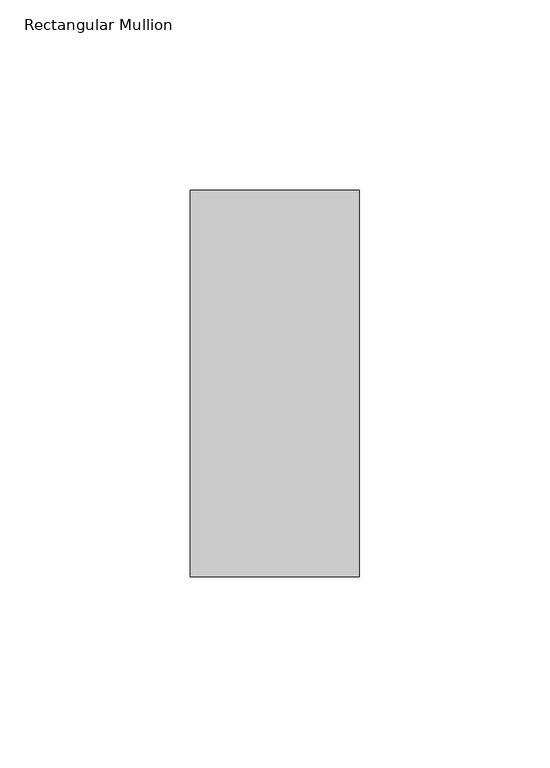
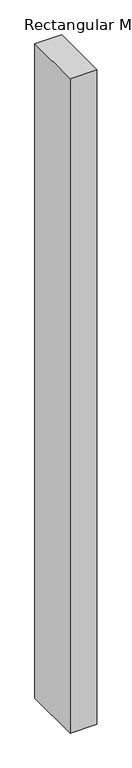
"""IFC4 building model written with IfcOpenShell, lengths in millimetres: member geometry, Rectangular Mullion."""

from ifc_helpers import new_model, si_unit, frame, origin, place, context, project, spatial, polyline, outline, extrude, source, transform, mapped, element, save


def rectangular_mullion_5f3a85c5(model_context):
    return source(origin(), model_context, "Body", "SweptSolid", [
        extrude(outline(polyline([(0.0, 50.8), (0.0, -50.8), (-44.44619, -50.8), (-44.44619, 50.8), (0.0, 50.8)])), frame((0.0, 0.0, -1152.530715), z_axis=(0.0, 0.0, 1.0), x_axis=(1.0, 0.0, 0.0)), (0.0, 0.0, 1.0), 1152.530715),
    ])


if __name__ == "__main__":
    model = new_model("IFC4")
    model_context = context("Model", 3, world=origin())
    ifc_project = project(units=[si_unit("LENGTHUNIT", "METRE", prefix="MILLI")], contexts=[model_context])
    site = spatial("IfcSite", under=ifc_project)
    building = spatial("IfcBuilding", under=site)
    placement = place(None, origin())
    rectangular_mullion_shape = rectangular_mullion_5f3a85c5(model_context)
    element("IfcMember", 1, ObjectType="Rectangular Mullion", at=placement, inside=building, context=model_context, shape_type="MappedRepresentation", body=[
        mapped(rectangular_mullion_shape, transform((0.0, 0.0, 0.0), x_axis=(1.0, 0.0, 0.0), y_axis=(0.0, 1.0, 0.0), z_axis=(0.0, 0.0, 1.0))),
    ])
    save(model, "model.ifc")
